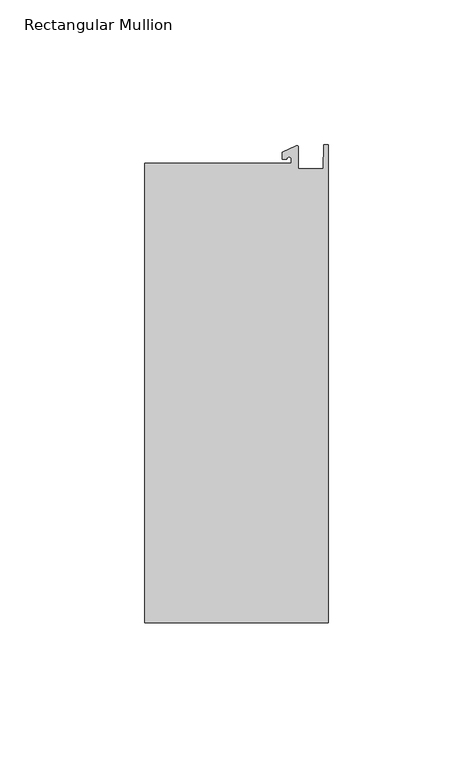
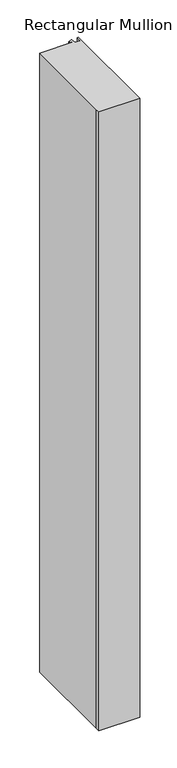
"""IFC4 building model written with IfcOpenShell, lengths in millimetres: member geometry, Rectangular Mullion."""

from ifc_helpers import new_model, si_unit, point, frame, frame_2d, origin, place, context, project, spatial, polyline, circle_curve, trimmed, segment, composite_curve, outline, extrude, source, transform, mapped, element, save


def rectangular_mullion_d8bab135(model_context):
    return source(origin(), model_context, "Body", "SweptSolid", [
        extrude(outline(composite_curve([segment(polyline([(-12.6979967, 25.796875), (-12.6979967, 27.2067741)]), True, "CONTINUOUS"), segment(trimmed(circle_curve(frame_2d((-13.4917467, 27.2067741)), 0.79375), [point((-12.6979967, 27.2067741))], [point((-14.2854967, 27.2067741))], True, "CARTESIAN"), True, "CONTINUOUS"), segment(polyline([(-14.2854967, 27.2067741), (-15.8729967, 27.2067741), (-15.8729967, 29.5689734), (-11.0330867, 31.8258605)]), True, "CONTINUOUS"), segment(trimmed(circle_curve(frame_2d((-10.8183967, 31.3654561)), 0.508), [point((-11.0330867, 31.8258605))], [point((-10.3103967, 31.3654561))], False, "CARTESIAN"), True, "CONTINUOUS"), segment(polyline([(-10.3103967, 31.3654561), (-10.3103967, 23.9227662), (-1.7144124, 23.9227662), (-1.5658966, 32.288874), (0.0, 32.288874), (0.0, -133.227327), (-63.5, -133.227327), (-63.5, -125.4813672), (-63.5, 25.796875), (-12.6979967, 25.796875)]), True, "CONTINUOUS")], self_intersect=False)), frame((0.0, 0.0, -1016.0), z_axis=(0.0, 0.0, 1.0), x_axis=(1.0, 0.0, 0.0)), (0.0, 0.0, 1.0), 1016.0),
    ])


if __name__ == "__main__":
    model = new_model("IFC4")
    model_context = context("Model", 3, world=origin())
    ifc_project = project(units=[si_unit("LENGTHUNIT", "METRE", prefix="MILLI")], contexts=[model_context])
    site = spatial("IfcSite", under=ifc_project)
    building = spatial("IfcBuilding", under=site)
    placement = place(None, origin())
    rectangular_mullion_shape = rectangular_mullion_d8bab135(model_context)
    element("IfcMember", 1, ObjectType="Rectangular Mullion", at=placement, inside=building, context=model_context, shape_type="MappedRepresentation", body=[
        mapped(rectangular_mullion_shape, transform((0.0, 0.0, 0.0), x_axis=(1.0, 0.0, 0.0), y_axis=(0.0, 1.0, 0.0), z_axis=(0.0, 0.0, 1.0))),
    ])
    save(model, "model.ifc")
